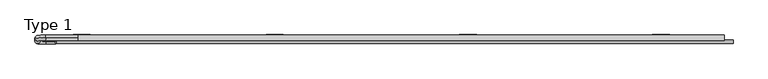
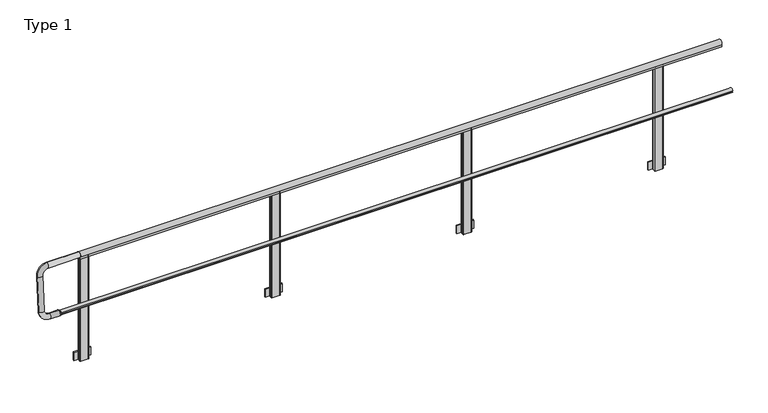
"""IFC4 building model written with IfcOpenShell, lengths in millimetres: railing geometry, Type 1."""

from ifc_helpers import new_model, si_unit, point, frame, frame_2d, origin, place, context, project, spatial, polyline, circle_curve, ellipse_curve, trimmed, segment, composite_curve, outline, extrude, source, transform, mapped, element, save
from ifc_brep_helpers import plane_surface, cylinder_surface, revolved_surface, advanced_brep


def type_1_c7459478(model_context):
    return source(origin(), model_context, "Body", "SolidModel", [
        extrude(outline(polyline([(3733.3333333, 48.5), (3733.3333333, 38.0), (3573.3333333, 38.0), (3573.3333333, 48.5), (3733.3333333, 48.5)])), frame((0.0, 0.0, -79.9999999), z_axis=(0.0, 0.0, 1.0), x_axis=(1.0, 0.0, 0.0)), (0.0, 0.0, 1.0), 80.0),
        extrude(outline(composite_curve([segment(polyline([(3618.3333333, 38.0), (3688.3333333, 38.0)]), True, "CONTINUOUS"), segment(trimmed(circle_curve(frame_2d((3688.3333333, 33.0)), 5.0), [point((3688.3333333, 38.0))], [point((3693.3333333, 33.0))], False, "CARTESIAN"), True, "CONTINUOUS"), segment(polyline([(3693.3333333, 33.0), (3693.3333333, 5.0)]), True, "CONTINUOUS"), segment(trimmed(circle_curve(frame_2d((3688.3333333, 5.0)), 5.0), [point((3693.3333333, 5.0))], [point((3688.3333333, 0.0))], False, "CARTESIAN"), True, "CONTINUOUS"), segment(polyline([(3688.3333333, 0.0), (3618.3333333, 0.0)]), True, "CONTINUOUS"), segment(trimmed(circle_curve(frame_2d((3618.3333333, 5.0)), 5.0), [point((3618.3333333, 0.0))], [point((3613.3333333, 5.0))], False, "CARTESIAN"), True, "CONTINUOUS"), segment(polyline([(3613.3333333, 5.0), (3613.3333333, 33.0)]), True, "CONTINUOUS"), segment(trimmed(circle_curve(frame_2d((3618.3333333, 33.0)), 5.0), [point((3613.3333333, 33.0))], [point((3618.3333333, 38.0))], False, "CARTESIAN"), True, "CONTINUOUS")], self_intersect=False)), frame((0.0, 0.0, -79.9999999), z_axis=(0.0, 0.0, 1.0), x_axis=(1.0, 0.0, 0.0)), (0.0, 0.0, 1.0), 1038.0),
        extrude(outline(polyline([(1926.6666667, 48.5), (1926.6666667, 38.0), (1766.6666667, 38.0), (1766.6666667, 48.5), (1926.6666667, 48.5)])), frame((0.0, 0.0, -79.9999999), z_axis=(0.0, 0.0, 1.0), x_axis=(1.0, 0.0, 0.0)), (0.0, 0.0, 1.0), 80.0),
        extrude(outline(composite_curve([segment(polyline([(1811.6666667, 38.0), (1881.6666667, 38.0)]), True, "CONTINUOUS"), segment(trimmed(circle_curve(frame_2d((1881.6666667, 33.0)), 5.0), [point((1881.6666667, 38.0))], [point((1886.6666667, 33.0))], False, "CARTESIAN"), True, "CONTINUOUS"), segment(polyline([(1886.6666667, 33.0), (1886.6666667, 5.0)]), True, "CONTINUOUS"), segment(trimmed(circle_curve(frame_2d((1881.6666667, 5.0)), 5.0), [point((1886.6666667, 5.0))], [point((1881.6666667, 0.0))], False, "CARTESIAN"), True, "CONTINUOUS"), segment(polyline([(1881.6666667, 0.0), (1811.6666667, 0.0)]), True, "CONTINUOUS"), segment(trimmed(circle_curve(frame_2d((1811.6666667, 5.0)), 5.0), [point((1811.6666667, 0.0))], [point((1806.6666667, 5.0))], False, "CARTESIAN"), True, "CONTINUOUS"), segment(polyline([(1806.6666667, 5.0), (1806.6666667, 33.0)]), True, "CONTINUOUS"), segment(trimmed(circle_curve(frame_2d((1811.6666667, 33.0)), 5.0), [point((1806.6666667, 33.0))], [point((1811.6666667, 38.0))], False, "CARTESIAN"), True, "CONTINUOUS")], self_intersect=False)), frame((0.0, 0.0, -79.9999999), z_axis=(0.0, 0.0, 1.0), x_axis=(1.0, 0.0, 0.0)), (0.0, 0.0, 1.0), 1038.0),
        advanced_brep(
        [(-200.0, -15.7, 468.0), (-200.0, -15.7, 508.0), (-210.0, -15.7, 463.0), (-210.0, -15.7, 513.0)],
        [
            (0, 1, circle_curve(frame((-200.0, -15.7, 488.0), z_axis=(1.0, 0.0, 0.0), x_axis=(0.0, 0.0, 1.0)), 20.0)),
            (1, 0, circle_curve(frame((-200.0, -15.7, 488.0), z_axis=(1.0, 0.0, 0.0), x_axis=(0.0, 0.0, -1.0)), 20.0)),
            (2, 3, circle_curve(frame((-210.0, -15.7, 488.0), z_axis=(-1.0, 0.0, 0.0), x_axis=(0.0, 0.0, -1.0)), 25.0)),
            (3, 2, circle_curve(frame((-210.0, -15.7, 488.0), z_axis=(-1.0, 0.0, 0.0), x_axis=(0.0, 0.0, 1.0)), 25.0)),
            (2, 0),
            (1, 3),
        ],
        [
            plane_surface(frame((-200.0, -15.7, 488.0), z_axis=(1.0, 0.0, 0.0), x_axis=(0.0, -1.0, 0.0))),
            plane_surface(frame((-210.0, -15.7, 488.0), z_axis=(-1.0, 0.0, 0.0), x_axis=(0.0, -1.0, 0.0))),
            revolved_surface(polyline([(-200.0, -15.7, 468.0), (-210.0, -15.7, 463.0)]), (-160.0, -15.7, 488.0), (-1.0, 0.0, 0.0)),
            revolved_surface(polyline([(-200.0, -15.7, 508.0), (-210.0, -15.7, 513.0)]), (-160.0, -15.7, 488.0), (-1.0, 0.0, 0.0)),
        ],
        [
            (0, [[1, 2]]),
            (1, [[3, 4]]),
            (2, [[5, -2, 6, -3]]),
            (3, [[-6, -1, -5, -4]]),
        ],
    ),
        advanced_brep(
        [(0.0, 20.7768095, 999.936779), (0.0, 17.2231905, 950.063221), (-300.0, 17.2231905, 950.063221), (-300.0, 20.7768095, 999.936779), (-350.0, 13.6695715, 900.1896629), (-400.0, 13.6695715, 900.1896629), (-350.0, -10.3600004, 562.9446635), (-400.0, -10.3600004, 562.9446635), (-300.0, -13.9136194, 513.0711054), (-300.0, -17.4672384, 463.1975474), (-210.0, -17.4672384, 463.1975474), (-210.0, -13.9136194, 513.0711054)],
        [
            (0, 1, circle_curve(frame((0.0, 19.0, 975.0), z_axis=(1.0, 0.0, 0.0), x_axis=(0.0, -0.07107238045513664, -0.9974711608545084)), 25.0)),
            (1, 0, circle_curve(frame((0.0, 19.0, 975.0), z_axis=(1.0, 0.0, 0.0), x_axis=(0.0, -0.07107238045513664, -0.9974711608545084)), 25.0)),
            (1, 2),
            (2, 3, circle_curve(frame((-300.0, 19.0, 975.0), z_axis=(1.0, 0.0, 0.0), x_axis=(0.0, -0.07107238045513664, -0.9974711608545084)), 25.0)),
            (3, 0),
            (3, 2, circle_curve(frame((-300.0, 19.0, 975.0), z_axis=(1.0, 0.0, 0.0), x_axis=(0.0, -0.07107238045513664, -0.9974711608545084)), 25.0)),
            (4, 5, circle_curve(frame((-375.0, 13.6695715, 900.1896629), z_axis=(0.0, 0.07107238045513664, 0.9974711608545084), x_axis=(1.0000000000000002, 0.0, 0.0)), 25.0)),
            (5, 3, circle_curve(frame((-300.0, 13.6695715, 900.1896629), z_axis=(0.0, 0.9974711608545084, -0.07107238045513664), x_axis=(0.0, 0.07107238045513664, 0.9974711608545084)), 100.0)),
            (2, 4, circle_curve(frame((-300.0, 13.6695715, 900.1896629), z_axis=(0.0, -0.9974711608545084, 0.07107238045513664), x_axis=(0.0, 0.07107238045513664, 0.9974711608545084)), 50.0)),
            (5, 4, circle_curve(frame((-375.0, 13.6695715, 900.1896629), z_axis=(0.0, 0.07107238045513664, 0.9974711608545084), x_axis=(1.0000000000000002, 0.0, 0.0)), 25.0)),
            (4, 6),
            (6, 7, circle_curve(frame((-375.0, -10.3600004, 562.9446635), z_axis=(0.0, 0.07107238045513667, 0.9974711608545085), x_axis=(1.0, 0.0, 0.0)), 25.0)),
            (7, 5),
            (7, 6, circle_curve(frame((-375.0, -10.3600004, 562.9446635), z_axis=(0.0, 0.07107238045513667, 0.9974711608545085), x_axis=(1.0, 0.0, 0.0)), 25.0)),
            (8, 9, circle_curve(frame((-300.0, -15.6904289, 488.1343264), z_axis=(-1.0, 0.0, 0.0), x_axis=(0.0, 0.07107238045513666, 0.9974711608545084)), 25.0)),
            (9, 7, circle_curve(frame((-300.0, -10.3600004, 562.9446635), z_axis=(0.0, 0.9974711608545084, -0.07107238045513664), x_axis=(-1.0, 0.0, 0.0)), 100.0)),
            (6, 8, circle_curve(frame((-300.0, -10.3600004, 562.9446635), z_axis=(0.0, -0.9974711608545084, 0.07107238045513664), x_axis=(-1.0, 0.0, 0.0)), 50.0)),
            (9, 8, circle_curve(frame((-300.0, -15.6904289, 488.1343264), z_axis=(-1.0, 0.0, 0.0), x_axis=(0.0, 0.07107238045513666, 0.9974711608545084)), 25.0)),
            (10, 11, circle_curve(frame((-210.0, -15.6904289, 488.1343264), z_axis=(1.0, 0.0, 0.0), x_axis=(0.0, 0.07107238045513664, 0.9974711608545084)), 25.0)),
            (11, 10, circle_curve(frame((-210.0, -15.6904289, 488.1343264), z_axis=(1.0, 0.0, 0.0), x_axis=(0.0, 0.07107238045513664, 0.9974711608545084)), 25.0)),
            (8, 11),
            (10, 9),
        ],
        [
            plane_surface(frame((0.0, 20.7768095, 999.936779), z_axis=(1.0000000000000002, 0.0, 0.0), x_axis=(0.0, 0.9974711608545084, -0.07107238045513664))),
            cylinder_surface(frame((0.0, 19.0, 975.0), z_axis=(1.0000000000000002, 0.0, 0.0), x_axis=(0.0, -0.07107238045513664, -0.9974711608545084)), 25.0),
            revolved_surface(trimmed(ellipse_curve(frame((-300.0, 19.0, 975.0), z_axis=(-1.0000000000000002, 0.0, 0.0), x_axis=(0.0, -0.07107238045513664, -0.9974711608545084)), 25.0, 25.0), [point((-300.0, 20.7768095, 999.936779))], [point((-300.0, 17.2231905, 950.063221))], True, "CARTESIAN"), (-300.0, 13.6695715, 900.1896629), (0.0, 0.9974711608545084, -0.07107238045513664)),
            revolved_surface(trimmed(ellipse_curve(frame((-300.0, 19.0, 975.0), z_axis=(-1.0000000000000002, 0.0, 0.0), x_axis=(0.0, -0.07107238045513664, -0.9974711608545084)), 25.0, 25.0), [point((-300.0, 17.2231905, 950.063221))], [point((-300.0, 20.7768095, 999.936779))], True, "CARTESIAN"), (-300.0, 13.6695715, 900.1896629), (0.0, 0.9974711608545084, -0.07107238045513664)),
            cylinder_surface(frame((-375.0, 13.6695715, 900.1896629), z_axis=(0.0, 0.07107238045513666, 0.9974711608545083), x_axis=(1.0, 0.0, 0.0)), 25.0),
            revolved_surface(trimmed(ellipse_curve(frame((-375.0, -10.3600004, 562.9446635), z_axis=(0.0, -0.07107238045513667, -0.9974711608545084), x_axis=(1.0, 0.0, 0.0)), 25.0, 25.0), [point((-400.0, -10.3600004, 562.9446635))], [point((-350.0, -10.3600004, 562.9446635))], True, "CARTESIAN"), (-300.0, -10.3600004, 562.9446635), (0.0, 0.9974711608545084, -0.07107238045513664)),
            revolved_surface(trimmed(ellipse_curve(frame((-375.0, -10.3600004, 562.9446635), z_axis=(0.0, -0.07107238045513667, -0.9974711608545084), x_axis=(1.0, 0.0, 0.0)), 25.0, 25.0), [point((-350.0, -10.3600004, 562.9446635))], [point((-400.0, -10.3600004, 562.9446635))], True, "CARTESIAN"), (-300.0, -10.3600004, 562.9446635), (0.0, 0.9974711608545084, -0.07107238045513664)),
            plane_surface(frame((-210.0, -17.4672384, 463.1975474), z_axis=(1.0000000000000002, 0.0, 0.0), x_axis=(0.0, 0.9974711608545084, -0.07107238045513664))),
            cylinder_surface(frame((-300.0, -15.6904289, 488.1343264), z_axis=(-1.0, 0.0, 0.0), x_axis=(0.0, 0.07107238045513664, 0.9974711608545084)), 25.0),
        ],
        [
            (0, [[1, 2]]),
            (1, [[3, 4, 5, -2]]),
            (1, [[-5, 6, -3, -1]]),
            (2, [[7, 8, -4, 9]]),
            (3, [[10, -9, -6, -8]]),
            (4, [[11, 12, 13, -7]]),
            (4, [[-13, 14, -11, -10]]),
            (5, [[15, 16, -12, 17]]),
            (6, [[18, -17, -14, -16]]),
            (7, [[19, 20]]),
            (8, [[21, -19, 22, -15]]),
            (8, [[-22, -20, -21, -18]]),
        ],
    ),
        extrude(outline(composite_curve([segment(polyline([(-34.3, 480.617273), (-30.3, 480.617273), (-30.3, 495.382727), (-34.3, 495.382727)]), True, "CONTINUOUS"), segment(trimmed(circle_curve(frame_2d((-15.712495, 488.0)), 20.0), [point((-34.3, 495.382727))], [point((0.0, 500.3740657))], False, "CARTESIAN"), True, "CONTINUOUS"), segment(polyline([(0.0, 500.3740657), (0.0, 475.6259343)]), True, "CONTINUOUS"), segment(trimmed(circle_curve(frame_2d((-15.712495, 488.0)), 20.0), [point((0.0, 475.6259343))], [point((-34.3, 480.617273))], False, "CARTESIAN"), True, "CONTINUOUS")], self_intersect=False)), frame((-200.0, 0.0, 0.0), z_axis=(1.0, 0.0, 0.0), x_axis=(0.0, 1.0, 0.0)), (0.0, 0.0, 1.0), 6335.0),
        extrude(outline(composite_curve([segment(polyline([(40.0, 961.43534), (40.0, 943.0), (39.0, 943.0), (39.0, 958.0), (-1.0, 958.0), (-1.0, 943.0), (-2.0, 943.0), (-2.0, 961.43534)]), True, "CONTINUOUS"), segment(trimmed(circle_curve(frame_2d((19.0, 975.0)), 25.0), [point((-2.0, 961.43534))], [point((40.0, 961.43534))], False, "CARTESIAN"), True, "CONTINUOUS")], self_intersect=False)), frame((0.0, 0.0, 0.0), z_axis=(1.0, 0.0, 0.0), x_axis=(0.0, 1.0, 0.0)), (0.0, 0.0, 1.0), 6050.0),
        extrude(outline(polyline([(5540.0, 48.5), (5540.0, 38.0), (5380.0, 38.0), (5380.0, 48.5), (5540.0, 48.5)])), frame((0.0, 0.0, -80.0), z_axis=(0.0, 0.0, 1.0), x_axis=(1.0, 0.0, 0.0)), (0.0, 0.0, 1.0), 80.0),
        extrude(outline(composite_curve([segment(polyline([(5425.0, 38.0), (5495.0, 38.0)]), True, "CONTINUOUS"), segment(trimmed(circle_curve(frame_2d((5495.0, 33.0)), 5.0), [point((5495.0, 38.0))], [point((5500.0, 33.0))], False, "CARTESIAN"), True, "CONTINUOUS"), segment(polyline([(5500.0, 33.0), (5500.0, 5.0)]), True, "CONTINUOUS"), segment(trimmed(circle_curve(frame_2d((5495.0, 5.0)), 5.0), [point((5500.0, 5.0))], [point((5495.0, 0.0))], False, "CARTESIAN"), True, "CONTINUOUS"), segment(polyline([(5495.0, 0.0), (5425.0, 0.0)]), True, "CONTINUOUS"), segment(trimmed(circle_curve(frame_2d((5425.0, 5.0)), 5.0), [point((5425.0, 0.0))], [point((5420.0, 5.0))], False, "CARTESIAN"), True, "CONTINUOUS"), segment(polyline([(5420.0, 5.0), (5420.0, 33.0)]), True, "CONTINUOUS"), segment(trimmed(circle_curve(frame_2d((5425.0, 33.0)), 5.0), [point((5420.0, 33.0))], [point((5425.0, 38.0))], False, "CARTESIAN"), True, "CONTINUOUS")], self_intersect=False)), frame((0.0, 0.0, -80.0), z_axis=(0.0, 0.0, 1.0), x_axis=(1.0, 0.0, 0.0)), (0.0, 0.0, 1.0), 1038.0),
        extrude(outline(polyline([(120.0, 48.5), (120.0, 38.0), (-40.0, 38.0), (-40.0, 48.5), (120.0, 48.5)])), frame((0.0, 0.0, -80.0), z_axis=(0.0, 0.0, 1.0), x_axis=(1.0, 0.0, 0.0)), (0.0, 0.0, 1.0), 80.0),
        extrude(outline(composite_curve([segment(polyline([(5.0, 38.0), (75.0, 38.0)]), True, "CONTINUOUS"), segment(trimmed(circle_curve(frame_2d((75.0, 33.0)), 5.0), [point((75.0, 38.0))], [point((80.0, 33.0))], False, "CARTESIAN"), True, "CONTINUOUS"), segment(polyline([(80.0, 33.0), (80.0, 5.0)]), True, "CONTINUOUS"), segment(trimmed(circle_curve(frame_2d((75.0, 5.0)), 5.0), [point((80.0, 5.0))], [point((75.0, 0.0))], False, "CARTESIAN"), True, "CONTINUOUS"), segment(polyline([(75.0, 0.0), (5.0, 0.0)]), True, "CONTINUOUS"), segment(trimmed(circle_curve(frame_2d((5.0, 5.0)), 5.0), [point((5.0, 0.0))], [point((0.0, 5.0))], False, "CARTESIAN"), True, "CONTINUOUS"), segment(polyline([(0.0, 5.0), (0.0, 33.0)]), True, "CONTINUOUS"), segment(trimmed(circle_curve(frame_2d((5.0, 33.0)), 5.0), [point((0.0, 33.0))], [point((5.0, 38.0))], False, "CARTESIAN"), True, "CONTINUOUS")], self_intersect=False)), frame((0.0, 0.0, -80.0), z_axis=(0.0, 0.0, 1.0), x_axis=(1.0, 0.0, 0.0)), (0.0, 0.0, 1.0), 1038.0),
    ])


if __name__ == "__main__":
    model = new_model("IFC4")
    model_context = context("Model", 3, world=origin())
    ifc_project = project(units=[si_unit("LENGTHUNIT", "METRE", prefix="MILLI")], contexts=[model_context])
    site = spatial("IfcSite", under=ifc_project)
    building = spatial("IfcBuilding", under=site)
    placement = place(None, origin())
    type_1_shape = type_1_c7459478(model_context)
    element("IfcRailing", 1, ObjectType="Type 1", at=placement, inside=building, context=model_context, shape_type="MappedRepresentation", body=[
        mapped(type_1_shape, transform((0.0, 0.0, 0.0), x_axis=(1.0, 0.0, 0.0), y_axis=(0.0, 1.0, 0.0), z_axis=(0.0, 0.0, 1.0))),
    ])
    save(model, "model.ifc")
